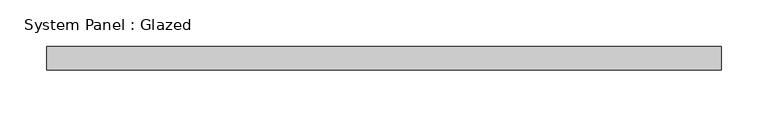
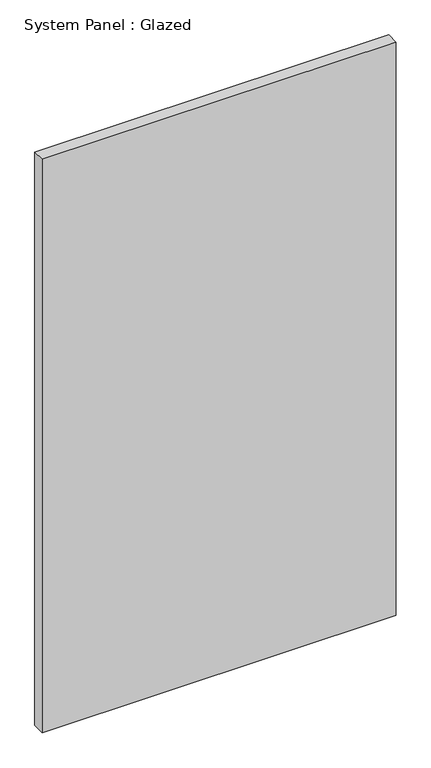
"""IFC4 building model written with IfcOpenShell, lengths in millimetres: plate geometry, System Panel : Glazed."""

from ifc_helpers import new_model, si_unit, origin, origin_with_axes, place, context, project, spatial, polyline, outline, extrude, source, transform, mapped, element, save


def system_panel_glazed_e8876832(model_context):
    return source(origin(), model_context, "Body", "SweptSolid", [
        extrude(outline(polyline([(361.2, -88.9), (-361.2, -88.9), (-361.2, -63.5), (361.2, -63.5), (361.2, -88.9)])), origin_with_axes(), (0.0, 0.0, 1.0), 1236.4),
    ])


if __name__ == "__main__":
    model = new_model("IFC4")
    model_context = context("Model", 3, world=origin())
    ifc_project = project(units=[si_unit("LENGTHUNIT", "METRE", prefix="MILLI")], contexts=[model_context])
    site = spatial("IfcSite", under=ifc_project)
    building = spatial("IfcBuilding", under=site)
    placement = place(None, origin())
    system_panel_glazed_shape = system_panel_glazed_e8876832(model_context)
    element("IfcPlate", 1, ObjectType="System Panel : Glazed", at=placement, inside=building, context=model_context, shape_type="MappedRepresentation", body=[
        mapped(system_panel_glazed_shape, transform((0.0, 0.0, 0.0), x_axis=(1.0, 0.0, 0.0), y_axis=(0.0, 1.0, 0.0), z_axis=(0.0, 0.0, 1.0))),
    ])
    save(model, "model.ifc")
